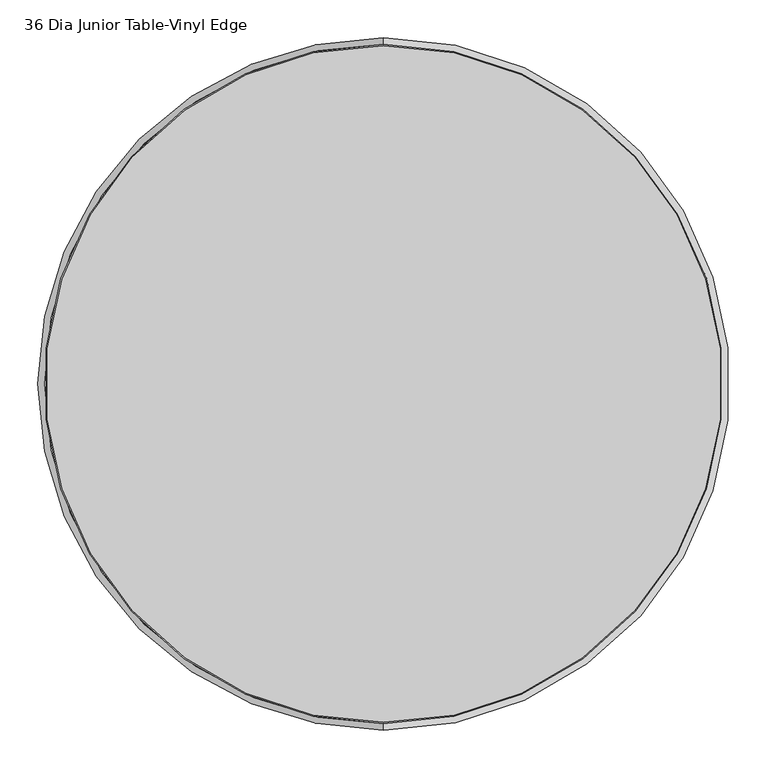
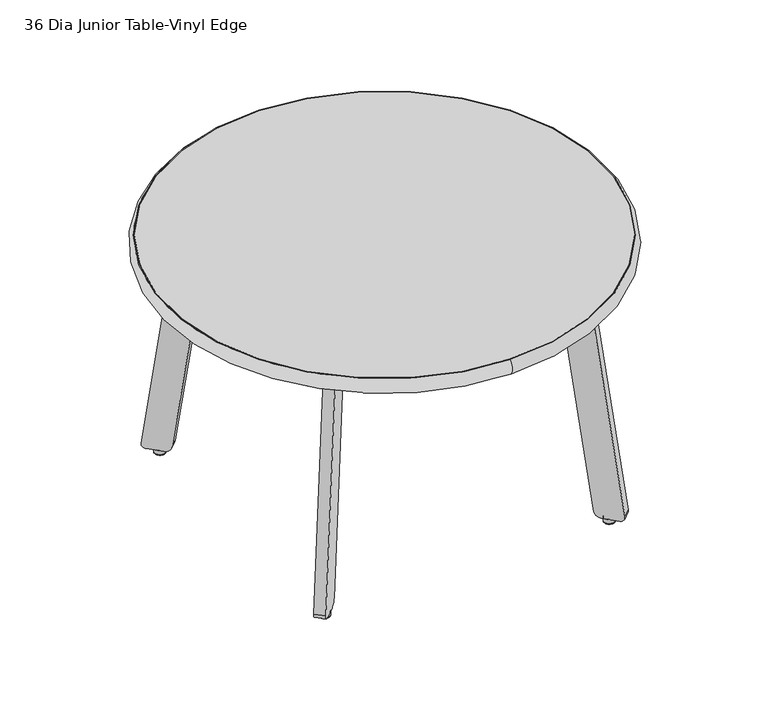
"""IFC4 building model written with IfcOpenShell, lengths in millimetres: furniture geometry, 36 Dia Junior Table-Vinyl Edge."""

from ifc_helpers import new_model, si_unit, point, frame, frame_2d, origin, origin_2d, place, context, project, spatial, polyline, circle_curve, ellipse_curve, trimmed, segment, composite_curve, outline, extrude, source, transform, mapped, element, save
from ifc_brep_helpers import plane_surface, cylinder_surface, revolved_surface, advanced_brep


def furniture_36_dia_junior_table_vinyl_edge_573622d5(model_context):
    return source(origin(), model_context, "Body", "SolidModel", [
        advanced_brep(
        [(293.8330423, 293.760803, 10.806608), (285.8393457, 285.7671064, 10.806608), (301.8267389, 301.7544996, 10.806608), (300.9199118, 300.8476725, 0.0), (286.7461728, 286.6739335, 0.0), (293.8330423, 293.760803, 0.0), (301.8267389, 301.7544996, 1.2824472), (285.8393457, 285.7671064, 1.2824472)],
        [
            (0, 1),
            (1, 2, circle_curve(frame((293.8330423, 293.760803, 10.806608), z_axis=(0.0, 0.0, 1.0), x_axis=(-0.7071067811873749, -0.7071067811857207, 0.0)), 11.3047942)),
            (2, 0),
            (2, 1, circle_curve(frame((293.8330423, 293.760803, 10.806608), z_axis=(0.0, 0.0, 1.0), x_axis=(-0.7071067811873749, -0.7071067811857207, 0.0)), 11.3047942)),
            (3, 4, circle_curve(frame((293.8330423, 293.760803, 0.0), z_axis=(0.0, 0.0, -1.0), x_axis=(-0.7071067811873749, -0.7071067811857207, 0.0)), 10.022347)),
            (4, 5),
            (5, 3),
            (4, 3, circle_curve(frame((293.8330423, 293.760803, 0.0), z_axis=(0.0, 0.0, -1.0), x_axis=(-0.7071067811873749, -0.7071067811857207, 0.0)), 10.022347)),
            (6, 7, circle_curve(frame((293.8330423, 293.760803, 1.2824472), z_axis=(0.0, 0.0, -1.0), x_axis=(-0.7071067811873749, -0.7071067811857207, 0.0)), 11.3047942)),
            (7, 4, circle_curve(frame((286.7461728, 286.6739335, 1.2824472), z_axis=(0.7071067811857207, -0.7071067811873749, 0.0), x_axis=(-0.7071067811873749, -0.7071067811857207, 0.0)), 1.2824472)),
            (3, 6, circle_curve(frame((300.9199118, 300.8476725, 1.2824472), z_axis=(0.7071067811857183, -0.7071067811873772, 0.0), x_axis=(0.7071067811873772, 0.7071067811857183, 0.0)), 1.2824472)),
            (7, 6, circle_curve(frame((293.8330423, 293.760803, 1.2824472), z_axis=(0.0, 0.0, -1.0), x_axis=(-0.7071067811873749, -0.7071067811857207, 0.0)), 11.3047942)),
            (1, 7),
            (6, 2),
        ],
        [
            plane_surface(frame((293.8330423, 293.760803, 10.806608), z_axis=(0.0, 0.0, 1.0000000000000004), x_axis=(-0.7071067811873748, -0.7071067811857206, 0.0))),
            plane_surface(frame((293.8330423, 293.760803, 0.0), z_axis=(0.0, 0.0, -1.0000000000000004), x_axis=(-0.7071067811873748, -0.7071067811857206, 0.0))),
            revolved_surface(trimmed(ellipse_curve(frame((286.7461728, 286.6739335, 1.2824472), z_axis=(-0.7071067811857207, 0.7071067811873749, 0.0), x_axis=(-0.7071067811873749, -0.7071067811857207, 0.0)), 1.2824472, 1.2824472), [point((286.7461728, 286.6739335, 0.0))], [point((285.8393457, 285.7671064, 1.2824472))], True, "CARTESIAN"), (293.8330423, 293.760803, 10.668), (0.0, 0.0, 1.0)),
            cylinder_surface(frame((293.8330423, 293.760803, 10.668), z_axis=(0.0, 0.0, 1.0), x_axis=(-0.7071067811873749, -0.7071067811857207, 0.0)), 11.3047942),
        ],
        [
            (0, [[1, 2, 3]]),
            (0, [[-3, 4, -1]]),
            (1, [[5, 6, 7]]),
            (1, [[8, -7, -6]]),
            (2, [[9, 10, -5, 11]]),
            (2, [[12, -11, -8, -10]]),
            (3, [[-2, 13, -9, 14]]),
            (3, [[-4, -14, -12, -13]]),
        ],
    ),
        extrude(outline(composite_curve([segment(polyline([(-48.7943935, 0.0), (0.0, 0.0), (0.0, -61.8171071), (-60.7303766, -493.9372726)]), True, "CONTINUOUS"), segment(trimmed(circle_curve(frame_2d((-74.8343641, -491.9550864)), 14.2425954), [point((-60.7303766, -493.9372726))], [point((-74.8343641, -506.1976818))], False, "CARTESIAN"), True, "CONTINUOUS"), segment(polyline([(-74.8343641, -506.1976818), (-108.4236894, -506.1976818)]), True, "CONTINUOUS"), segment(trimmed(circle_curve(frame_2d((-108.4236894, -496.5354538)), 9.662228), [point((-108.4236894, -506.1976818))], [point((-117.9918853, -495.1907316))], False, "CARTESIAN"), True, "CONTINUOUS"), segment(polyline([(-117.9918853, -495.1907316), (-48.7943935, 0.0)]), True, "CONTINUOUS")], self_intersect=False)), frame((240.7642188, 224.9765312, 516.8656818), z_axis=(-0.7071067811857228, 0.7071067811873724, 0.0), x_axis=(-0.7071067811873722, -0.7071067811857227, 0.0)), (0.0, 0.0, 1.0), 22.225),
        advanced_brep(
        [(-293.8330423, 293.760803, 10.806608), (-301.8267389, 301.7544996, 10.806608), (-285.8393457, 285.7671064, 10.806608), (-300.9199118, 300.8476725, 0.0), (-293.8330423, 293.760803, 0.0), (-286.7461728, 286.6739335, 0.0), (-301.8267389, 301.7544996, 1.2824472), (-285.8393457, 285.7671064, 1.2824472)],
        [
            (0, 1),
            (1, 2, circle_curve(frame((-293.8330423, 293.760803, 10.806608), z_axis=(0.0, 0.0, 1.0), x_axis=(0.7071067811857302, -0.7071067811873654, 0.0)), 11.3047942)),
            (2, 0),
            (2, 1, circle_curve(frame((-293.8330423, 293.760803, 10.806608), z_axis=(0.0, 0.0, 1.0), x_axis=(0.7071067811857302, -0.7071067811873654, 0.0)), 11.3047942)),
            (3, 4),
            (4, 5),
            (5, 3, circle_curve(frame((-293.8330423, 293.760803, 0.0), z_axis=(0.0, 0.0, -1.0), x_axis=(0.7071067811857302, -0.7071067811873654, 0.0)), 10.022347)),
            (3, 5, circle_curve(frame((-293.8330423, 293.760803, 0.0), z_axis=(0.0, 0.0, -1.0), x_axis=(0.7071067811857302, -0.7071067811873654, 0.0)), 10.022347)),
            (6, 3, circle_curve(frame((-300.9199118, 300.8476725, 1.2824472), z_axis=(-0.707106781187363, -0.7071067811857326, 0.0), x_axis=(-0.7071067811857326, 0.707106781187363, 0.0)), 1.2824472)),
            (5, 7, circle_curve(frame((-286.7461728, 286.6739335, 1.2824472), z_axis=(-0.7071067811873654, -0.7071067811857302, 0.0), x_axis=(0.7071067811857302, -0.7071067811873654, 0.0)), 1.2824472)),
            (7, 6, circle_curve(frame((-293.8330423, 293.760803, 1.2824472), z_axis=(0.0, 0.0, -1.0), x_axis=(0.7071067811857302, -0.7071067811873654, 0.0)), 11.3047942)),
            (6, 7, circle_curve(frame((-293.8330423, 293.760803, 1.2824472), z_axis=(0.0, 0.0, -1.0), x_axis=(0.7071067811857302, -0.7071067811873654, 0.0)), 11.3047942)),
            (1, 6),
            (7, 2),
        ],
        [
            plane_surface(frame((-293.8330423, 293.760803, 10.806608), z_axis=(0.0, 0.0, 0.9999999999999998), x_axis=(0.7071067811857299, -0.707106781187365, 0.0))),
            plane_surface(frame((-293.8330423, 293.760803, 0.0), z_axis=(0.0, 0.0, -0.9999999999999998), x_axis=(0.7071067811857299, -0.707106781187365, 0.0))),
            revolved_surface(trimmed(ellipse_curve(frame((-286.7461728, 286.6739335, 1.2824472), z_axis=(-0.7071067811873654, -0.7071067811857302, 0.0), x_axis=(0.7071067811857302, -0.7071067811873654, 0.0)), 1.2824472, 1.2824472), [point((-286.7461728, 286.6739335, 0.0))], [point((-285.8393457, 285.7671064, 1.2824472))], True, "CARTESIAN"), (-293.8330423, 293.760803, 10.668), (0.0, 0.0, 1.0)),
            cylinder_surface(frame((-293.8330423, 293.760803, 10.668), z_axis=(0.0, 0.0, 1.0), x_axis=(0.7071067811857302, -0.7071067811873654, 0.0)), 11.3047942),
        ],
        [
            (0, [[1, 2, 3]]),
            (0, [[-3, 4, -1]]),
            (1, [[5, 6, 7]]),
            (1, [[-6, -5, 8]]),
            (2, [[9, -7, 10, 11]]),
            (2, [[-10, -8, -9, 12]]),
            (3, [[13, -11, 14, -2]]),
            (3, [[-14, -12, -13, -4]]),
        ],
    ),
        extrude(outline(composite_curve([segment(polyline([(-48.7943935, 0.0), (-117.9918853, 495.1907316)]), True, "CONTINUOUS"), segment(trimmed(circle_curve(frame_2d((-108.4236894, 496.5354538)), 9.662228), [point((-117.9918853, 495.1907316))], [point((-108.4236894, 506.1976818))], False, "CARTESIAN"), True, "CONTINUOUS"), segment(polyline([(-108.4236894, 506.1976818), (-74.8343641, 506.1976818)]), True, "CONTINUOUS"), segment(trimmed(circle_curve(frame_2d((-74.8343641, 491.9550864)), 14.2425954), [point((-74.8343641, 506.1976818))], [point((-60.7303766, 493.9372726))], False, "CARTESIAN"), True, "CONTINUOUS"), segment(polyline([(-60.7303766, 493.9372726), (0.0, 61.8171071), (0.0, 0.0), (-48.7943935, 0.0)]), True, "CONTINUOUS")], self_intersect=False)), frame((-240.7642187, 224.9765313, 516.8656818), z_axis=(0.7071067811873675, 0.7071067811857277, 0.0), x_axis=(0.7071067811857278, -0.7071067811873676, 0.0)), (0.0, 0.0, 1.0), 22.225),
        advanced_brep(
        [(293.8330423, -293.760803, 10.806608), (301.8267389, -301.7544996, 10.806608), (285.8393457, -285.7671064, 10.806608), (300.9199118, -300.8476725, 0.0), (293.8330423, -293.760803, 0.0), (286.7461728, -286.6739335, 0.0), (301.8267389, -301.7544996, 1.2824472), (285.8393457, -285.7671064, 1.2824472)],
        [
            (0, 1),
            (1, 2, circle_curve(frame((293.8330423, -293.760803, 10.806608), z_axis=(0.0, 0.0, 1.0), x_axis=(-0.7071067811865526, 0.707106781186543, 0.0)), 11.3047942)),
            (2, 0),
            (2, 1, circle_curve(frame((293.8330423, -293.760803, 10.806608), z_axis=(0.0, 0.0, 1.0), x_axis=(-0.7071067811865526, 0.707106781186543, 0.0)), 11.3047942)),
            (3, 4),
            (4, 5),
            (5, 3, circle_curve(frame((293.8330423, -293.760803, 0.0), z_axis=(0.0, 0.0, -1.0), x_axis=(-0.7071067811865526, 0.707106781186543, 0.0)), 10.022347)),
            (3, 5, circle_curve(frame((293.8330423, -293.760803, 0.0), z_axis=(0.0, 0.0, -1.0), x_axis=(-0.7071067811865526, 0.707106781186543, 0.0)), 10.022347)),
            (6, 3, circle_curve(frame((300.9199118, -300.8476725, 1.2824472), z_axis=(0.7071067811865407, 0.7071067811865549, 0.0), x_axis=(0.7071067811865549, -0.7071067811865407, 0.0)), 1.2824472)),
            (5, 7, circle_curve(frame((286.7461728, -286.6739335, 1.2824472), z_axis=(0.707106781186543, 0.7071067811865526, 0.0), x_axis=(-0.7071067811865526, 0.707106781186543, 0.0)), 1.2824472)),
            (7, 6, circle_curve(frame((293.8330423, -293.760803, 1.2824472), z_axis=(0.0, 0.0, -1.0), x_axis=(-0.7071067811865526, 0.707106781186543, 0.0)), 11.3047942)),
            (6, 7, circle_curve(frame((293.8330423, -293.760803, 1.2824472), z_axis=(0.0, 0.0, -1.0), x_axis=(-0.7071067811865526, 0.707106781186543, 0.0)), 11.3047942)),
            (1, 6),
            (7, 2),
        ],
        [
            plane_surface(frame((293.8330423, -293.760803, 10.806608), z_axis=(0.0, 0.0, 1.0000000000000004), x_axis=(-0.7071067811865525, 0.7071067811865429, 0.0))),
            plane_surface(frame((293.8330423, -293.760803, 0.0), z_axis=(0.0, 0.0, -1.0000000000000004), x_axis=(-0.7071067811865525, 0.7071067811865429, 0.0))),
            revolved_surface(trimmed(ellipse_curve(frame((286.7461728, -286.6739335, 1.2824472), z_axis=(0.707106781186543, 0.7071067811865526, 0.0), x_axis=(-0.7071067811865526, 0.707106781186543, 0.0)), 1.2824472, 1.2824472), [point((286.7461728, -286.6739335, 0.0))], [point((285.8393457, -285.7671064, 1.2824472))], True, "CARTESIAN"), (293.8330423, -293.760803, 10.668), (0.0, 0.0, 1.0)),
            cylinder_surface(frame((293.8330423, -293.760803, 10.668), z_axis=(0.0, 0.0, 1.0), x_axis=(-0.7071067811865526, 0.707106781186543, 0.0)), 11.3047942),
        ],
        [
            (0, [[1, 2, 3]]),
            (0, [[-3, 4, -1]]),
            (1, [[5, 6, 7]]),
            (1, [[-6, -5, 8]]),
            (2, [[9, -7, 10, 11]]),
            (2, [[-10, -8, -9, 12]]),
            (3, [[13, -11, 14, -2]]),
            (3, [[-14, -12, -13, -4]]),
        ],
    ),
        extrude(outline(composite_curve([segment(polyline([(48.7943936, 0.0), (0.0, 0.0), (0.0, 61.8171071), (60.7303767, 493.9372726)]), True, "CONTINUOUS"), segment(trimmed(circle_curve(frame_2d((74.8343641, 491.9550864)), 14.2425954), [point((60.7303767, 493.9372726))], [point((74.8343641, 506.1976818))], False, "CARTESIAN"), True, "CONTINUOUS"), segment(polyline([(74.8343641, 506.1976818), (108.4236894, 506.1976818)]), True, "CONTINUOUS"), segment(trimmed(circle_curve(frame_2d((108.4236894, 496.5354538)), 9.662228), [point((108.4236894, 506.1976818))], [point((117.9918853, 495.1907316))], False, "CARTESIAN"), True, "CONTINUOUS"), segment(polyline([(117.9918853, 495.1907316), (48.7943936, 0.0)]), True, "CONTINUOUS")], self_intersect=False)), frame((225.0487705, -240.6919795, 516.8656818), z_axis=(0.7071067811865451, 0.70710678118655, 0.0), x_axis=(0.7071067811865499, -0.707106781186545, 0.0)), (0.0, 0.0, 1.0), 22.225),
        advanced_brep(
        [(-293.8330423, -293.760803, 10.806608), (-285.8393457, -285.7671064, 10.806608), (-301.8267389, -301.7544996, 10.806608), (-300.9199118, -300.8476725, 0.0), (-286.7461728, -286.6739335, 0.0), (-293.8330423, -293.760803, 0.0), (-301.8267389, -301.7544996, 1.2824472), (-285.8393457, -285.7671064, 1.2824472)],
        [
            (0, 1),
            (1, 2, circle_curve(frame((-293.8330423, -293.760803, 10.806608), z_axis=(0.0, 0.0, 1.0), x_axis=(0.7071067811865526, 0.707106781186543, 0.0)), 11.3047942)),
            (2, 0),
            (2, 1, circle_curve(frame((-293.8330423, -293.760803, 10.806608), z_axis=(0.0, 0.0, 1.0), x_axis=(0.7071067811865526, 0.707106781186543, 0.0)), 11.3047942)),
            (3, 4, circle_curve(frame((-293.8330423, -293.760803, 0.0), z_axis=(0.0, 0.0, -1.0), x_axis=(0.7071067811865526, 0.707106781186543, 0.0)), 10.022347)),
            (4, 5),
            (5, 3),
            (4, 3, circle_curve(frame((-293.8330423, -293.760803, 0.0), z_axis=(0.0, 0.0, -1.0), x_axis=(0.7071067811865526, 0.707106781186543, 0.0)), 10.022347)),
            (6, 7, circle_curve(frame((-293.8330423, -293.760803, 1.2824472), z_axis=(0.0, 0.0, -1.0), x_axis=(0.7071067811865526, 0.707106781186543, 0.0)), 11.3047942)),
            (7, 4, circle_curve(frame((-286.7461728, -286.6739335, 1.2824472), z_axis=(-0.707106781186543, 0.7071067811865526, 0.0), x_axis=(0.7071067811865526, 0.707106781186543, 0.0)), 1.2824472)),
            (3, 6, circle_curve(frame((-300.9199118, -300.8476725, 1.2824472), z_axis=(-0.7071067811865407, 0.7071067811865549, 0.0), x_axis=(-0.7071067811865549, -0.7071067811865407, 0.0)), 1.2824472)),
            (7, 6, circle_curve(frame((-293.8330423, -293.760803, 1.2824472), z_axis=(0.0, 0.0, -1.0), x_axis=(0.7071067811865526, 0.707106781186543, 0.0)), 11.3047942)),
            (1, 7),
            (6, 2),
        ],
        [
            plane_surface(frame((-293.8330423, -293.760803, 10.806608), z_axis=(0.0, 0.0, 1.0000000000000004), x_axis=(0.7071067811865525, 0.7071067811865429, 0.0))),
            plane_surface(frame((-293.8330423, -293.760803, 0.0), z_axis=(0.0, 0.0, -1.0000000000000004), x_axis=(0.7071067811865525, 0.7071067811865429, 0.0))),
            revolved_surface(trimmed(ellipse_curve(frame((-286.7461728, -286.6739335, 1.2824472), z_axis=(0.707106781186543, -0.7071067811865526, 0.0), x_axis=(0.7071067811865526, 0.707106781186543, 0.0)), 1.2824472, 1.2824472), [point((-286.7461728, -286.6739335, 0.0))], [point((-285.8393457, -285.7671064, 1.2824472))], True, "CARTESIAN"), (-293.8330423, -293.760803, 10.668), (0.0, 0.0, 1.0)),
            cylinder_surface(frame((-293.8330423, -293.760803, 10.668), z_axis=(0.0, 0.0, 1.0), x_axis=(0.7071067811865526, 0.707106781186543, 0.0)), 11.3047942),
        ],
        [
            (0, [[1, 2, 3]]),
            (0, [[-3, 4, -1]]),
            (1, [[5, 6, 7]]),
            (1, [[8, -7, -6]]),
            (2, [[9, 10, -5, 11]]),
            (2, [[12, -11, -8, -10]]),
            (3, [[-2, 13, -9, 14]]),
            (3, [[-4, -14, -12, -13]]),
        ],
    ),
        extrude(outline(composite_curve([segment(polyline([(48.7943936, 0.0), (117.9918853, -495.1907316)]), True, "CONTINUOUS"), segment(trimmed(circle_curve(frame_2d((108.4236894, -496.5354538)), 9.662228), [point((117.9918853, -495.1907316))], [point((108.4236894, -506.1976818))], False, "CARTESIAN"), True, "CONTINUOUS"), segment(polyline([(108.4236894, -506.1976818), (74.8343641, -506.1976818)]), True, "CONTINUOUS"), segment(trimmed(circle_curve(frame_2d((74.8343641, -491.9550864)), 14.2425954), [point((74.8343641, -506.1976818))], [point((60.7303767, -493.9372726))], False, "CARTESIAN"), True, "CONTINUOUS"), segment(polyline([(60.7303767, -493.9372726), (0.0, -61.8171071), (0.0, 0.0), (48.7943936, 0.0)]), True, "CONTINUOUS")], self_intersect=False)), frame((-225.0487705, -240.6919795, 516.8656818), z_axis=(-0.7071067811865451, 0.70710678118655, 0.0), x_axis=(-0.7071067811865499, -0.707106781186545, 0.0)), (0.0, 0.0, 1.0), 22.225),
        extrude(outline(polyline([(-229.108, 223.7207569), (-229.108, -223.4048175), (-235.6010297, -229.8978472), (-240.6524237, -224.8464531), (-260.858, -245.0520294), (-260.858, 245.3679687), (-240.6524237, 225.1623925), (-235.6010297, 230.2137865), (-229.108, 223.7207569)])), frame((0.0, 0.0, 453.3656818), z_axis=(0.0, 0.0, 1.0), x_axis=(1.0, 0.0, 0.0)), (0.0, 0.0, 1.0), 63.5),
        extrude(outline(polyline([(229.108, 223.6215381), (235.6010297, 230.1145678), (240.6524237, 225.0631737), (260.858, 245.26875), (260.858, -245.26875), (240.6524237, -225.0631737), (235.6010297, -230.1145678), (229.108, -223.6215381), (229.108, 223.6215381)])), frame((0.0, 0.0, 453.3656818), z_axis=(0.0, 0.0, 1.0), x_axis=(1.0, 0.0, 0.0)), (0.0, 0.0, 1.0), 63.5),
        extrude(outline(polyline([(223.6215381, 229.108), (-223.6215381, 229.108), (-230.1145678, 235.6010297), (-225.0631737, 240.6524237), (-245.26875, 260.858), (245.26875, 260.858), (225.0631737, 240.6524237), (230.1145678, 235.6010297), (223.6215381, 229.108)])), frame((0.0, 0.0, 453.3656818), z_axis=(0.0, 0.0, 1.0), x_axis=(1.0, 0.0, 0.0)), (0.0, 0.0, 1.0), 63.5),
        extrude(outline(polyline([(223.6215381, -229.108), (230.1145678, -235.6010297), (225.0631737, -240.6524237), (245.26875, -260.858), (-245.26875, -260.858), (-225.0631737, -240.6524237), (-230.1145678, -235.6010297), (-223.6215381, -229.108), (223.6215381, -229.108)])), frame((0.0, 0.0, 453.3656818), z_axis=(0.0, 0.0, 1.0), x_axis=(1.0, 0.0, 0.0)), (0.0, 0.0, 1.0), 63.5),
        extrude(outline(composite_curve([segment(trimmed(circle_curve(origin_2d(), 447.0908), [point((0.0, -447.0908))], [point((0.0, 447.0908))], False, "CARTESIAN"), True, "CONTINUOUS"), segment(trimmed(circle_curve(origin_2d(), 447.0908), [point((0.0, 447.0908))], [point((0.0, -447.0908))], False, "CARTESIAN"), True, "CONTINUOUS")], self_intersect=False)), frame((0.0, 0.0, 516.8656818), z_axis=(0.0, 0.0, 1.0), x_axis=(1.0, 0.0, 0.0)), (0.0, 0.0, 1.0), 31.7489182),
        advanced_brep(
        [(0.0, -447.0908, 548.6146), (0.0, 447.0908, 548.6146), (0.0, 447.0908, 516.8656818), (0.0, -447.0908, 516.8656818), (0.0, -448.7302705, 516.8656818), (0.0, 448.7302705, 516.8656818), (0.0, 448.7302705, 548.6146), (0.0, -448.7302705, 548.6146)],
        [
            (0, 1, circle_curve(frame((0.0, 0.0, 548.6146), z_axis=(0.0, 0.0, 1.0), x_axis=(0.0, 1.0, 0.0)), 447.0908)),
            (1, 2),
            (2, 3, circle_curve(frame((0.0, 0.0, 516.8656818), z_axis=(0.0, 0.0, -1.0), x_axis=(0.0, 1.0, 0.0)), 447.0908)),
            (3, 0),
            (4, 5, circle_curve(frame((0.0, 0.0, 516.8656818), z_axis=(0.0, 0.0, 1.0), x_axis=(0.0, 1.0, 0.0)), 448.7302705)),
            (5, 6, circle_curve(frame((0.0, 438.0902307, 532.7401409), z_axis=(1.0, 0.0, 0.0), x_axis=(0.0, 1.0, 0.0)), 19.1104395)),
            (6, 7, circle_curve(frame((0.0, 0.0, 548.6146), z_axis=(0.0, 0.0, -1.0), x_axis=(0.0, 1.0, 0.0)), 448.7302705)),
            (7, 4, circle_curve(frame((0.0, -438.0902307, 532.7401409), z_axis=(1.0, 0.0, 0.0), x_axis=(0.0, -1.0, 0.0)), 19.1104395)),
            (4, 5, circle_curve(frame((0.0, 0.0, 516.8656818), z_axis=(0.0, 0.0, -1.0), x_axis=(0.0, -1.0, 0.0)), 448.7302705)),
            (2, 3, circle_curve(frame((0.0, 0.0, 516.8656818), z_axis=(0.0, 0.0, 1.0), x_axis=(0.0, -1.0, 0.0)), 447.0908)),
            (1, 0, circle_curve(frame((0.0, 0.0, 548.6146), z_axis=(0.0, 0.0, 1.0), x_axis=(0.0, -1.0, 0.0)), 447.0908)),
            (6, 7, circle_curve(frame((0.0, 0.0, 548.6146), z_axis=(0.0, 0.0, 1.0), x_axis=(0.0, -1.0, 0.0)), 448.7302705)),
        ],
        [
            revolved_surface(polyline([(0.0, 447.0908, 516.8656818), (0.0, 447.0908, 548.6146)]), (0.0, 0.0, 548.6146), (0.0, 0.0, -1.0)),
            revolved_surface(trimmed(ellipse_curve(frame((0.0, 438.0902307, 532.7401409), z_axis=(-1.0, 0.0, 0.0), x_axis=(0.0, 1.0, 0.0)), 19.1104395, 19.1104395), [point((0.0, 448.7302705, 548.6146))], [point((0.0, 448.7302705, 516.8656818))], True, "CARTESIAN"), (0.0, 0.0, 548.6146), (0.0, 0.0, -1.0)),
            plane_surface(frame((0.0, 0.0, 516.8656818), z_axis=(0.0, 0.0, -1.0), x_axis=(0.0, -1.0, 0.0))),
            revolved_surface(polyline([(0.0, -447.0908, 516.8656818), (0.0, -447.0908, 548.6146)]), (0.0, 0.0, 548.6146), (0.0, 0.0, -1.0)),
            plane_surface(frame((0.0, 0.0, 548.6146), z_axis=(0.0, 0.0, 1.0), x_axis=(0.0, -1.0, 0.0))),
            revolved_surface(trimmed(ellipse_curve(frame((0.0, -438.0902307, 532.7401409), z_axis=(1.0, 0.0, 0.0), x_axis=(0.0, -1.0, 0.0)), 19.1104395, 19.1104395), [point((0.0, -448.7302705, 548.6146))], [point((0.0, -448.7302705, 516.8656818))], True, "CARTESIAN"), (0.0, 0.0, 548.6146), (0.0, 0.0, -1.0)),
        ],
        [
            (0, [[1, 2, 3, 4]]),
            (1, [[5, 6, 7, 8]]),
            (2, [[9, -5], [10, -3]]),
            (3, [[11, -4, -10, -2]]),
            (4, [[12, -7], [-11, -1]]),
            (5, [[-9, -8, -12, -6]]),
        ],
    ),
        extrude(outline(composite_curve([segment(trimmed(circle_curve(origin_2d(), 447.0908), [point((0.0, -447.0908))], [point((0.0, 447.0908))], False, "CARTESIAN"), True, "CONTINUOUS"), segment(trimmed(circle_curve(origin_2d(), 447.0908), [point((0.0, 447.0908))], [point((0.0, -447.0908))], False, "CARTESIAN"), True, "CONTINUOUS")], self_intersect=False)), frame((0.0, 0.0, 516.8656818), z_axis=(0.0, 0.0, 1.0), x_axis=(1.0, 0.0, 0.0)), (0.0, 0.0, 1.0), 31.7489182),
    ])


if __name__ == "__main__":
    model = new_model("IFC4")
    model_context = context("Model", 3, world=origin())
    ifc_project = project(units=[si_unit("LENGTHUNIT", "METRE", prefix="MILLI")], contexts=[model_context])
    site = spatial("IfcSite", under=ifc_project)
    building = spatial("IfcBuilding", under=site)
    placement = place(None, origin())
    furniture_36_dia_junior_table_vinyl_edge_shape = furniture_36_dia_junior_table_vinyl_edge_573622d5(model_context)
    element("IfcFurniture", 1, ObjectType="36 Dia Junior Table-Vinyl Edge", at=placement, inside=building, context=model_context, shape_type="MappedRepresentation", body=[
        mapped(furniture_36_dia_junior_table_vinyl_edge_shape, transform((0.0, 0.0, 0.0), x_axis=(1.0, 0.0, 0.0), y_axis=(0.0, 1.0, 0.0), z_axis=(0.0, 0.0, 1.0))),
    ])
    save(model, "model.ifc")
